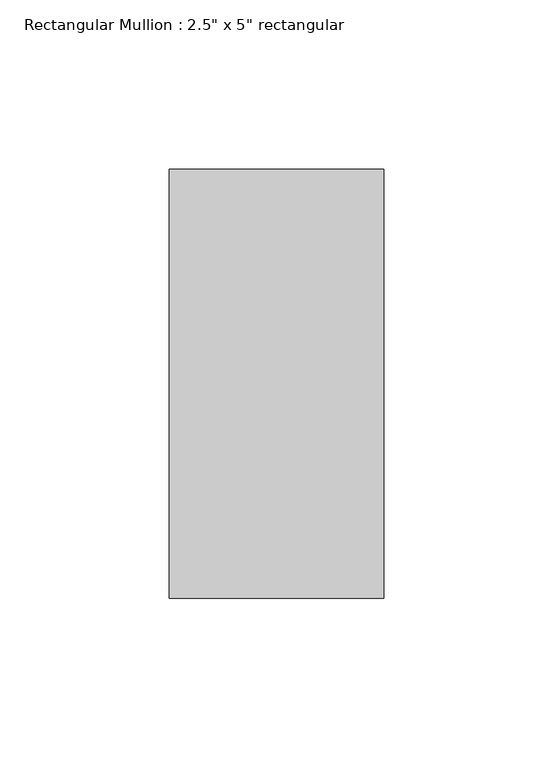
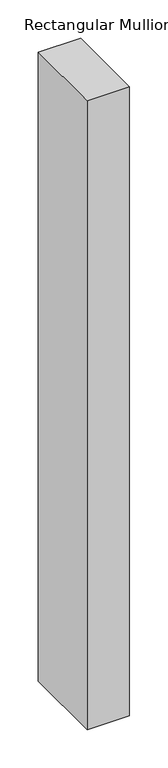
"""IFC4 building model written with IfcOpenShell, lengths in millimetres: member geometry."""

from ifc_helpers import new_model, si_unit, frame, origin, place, context, project, spatial, polyline, outline, extrude, source, transform, mapped, element, save


def member_4b068154(model_context):
    return source(origin(), model_context, "Body", "SweptSolid", [
        extrude(outline(polyline([(0.0, 63.5), (0.0, -63.5), (-63.5, -63.5), (-63.5, 63.5), (0.0, 63.5)])), frame((0.0, 0.0, -1000.0), z_axis=(0.0, 0.0, 1.0), x_axis=(1.0, 0.0, 0.0)), (0.0, 0.0, 1.0), 1000.0),
    ])


if __name__ == "__main__":
    model = new_model("IFC4")
    model_context = context("Model", 3, world=origin())
    ifc_project = project(units=[si_unit("LENGTHUNIT", "METRE", prefix="MILLI")], contexts=[model_context])
    site = spatial("IfcSite", under=ifc_project)
    building = spatial("IfcBuilding", under=site)
    placement = place(None, origin())
    member_shape = member_4b068154(model_context)
    element("IfcMember", 1, ObjectType="Rectangular Mullion : 2.5\" x 5\" rectangular", at=placement, inside=building, context=model_context, shape_type="MappedRepresentation", body=[
        mapped(member_shape, transform((0.0, 0.0, 0.0), x_axis=(1.0, 0.0, 0.0), y_axis=(0.0, 1.0, 0.0), z_axis=(0.0, 0.0, 1.0))),
    ])
    save(model, "model.ifc")
